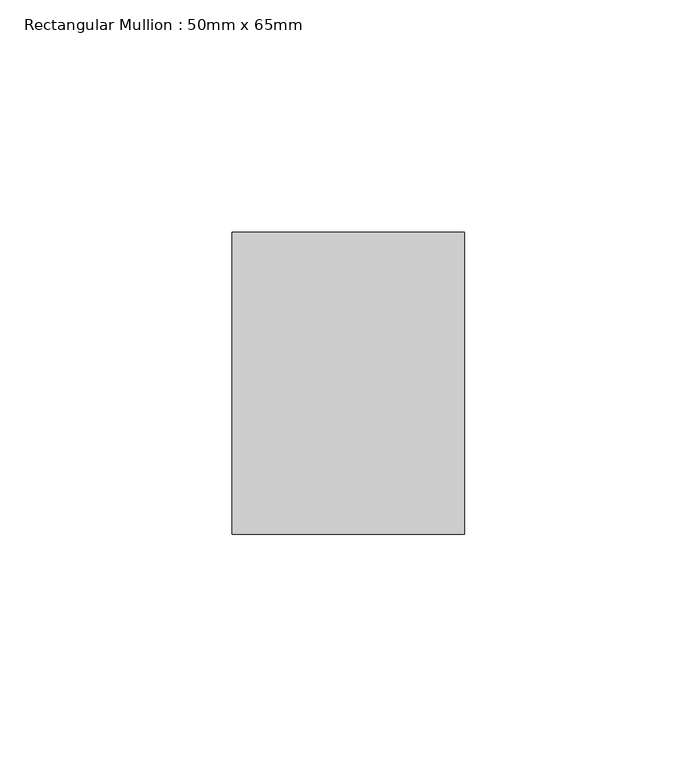
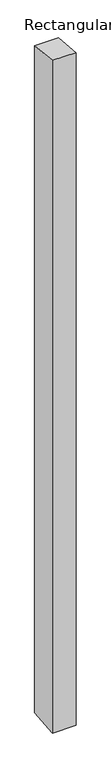
"""IFC4 building model written with IfcOpenShell, lengths in millimetres: member geometry, Rectangular Mullion : 50mm x 65mm."""

import ifcopenshell
import ifcopenshell.guid

model = None  # the IFC model being written
_history = None  # IfcOwnerHistory: only IFC2X3 demands one
_inside = {}  # id of a spatial element -> (the spatial element, [elements in it])
_under = {}  # id of a project, library or spatial element -> (it, [spatial elements below it])
_declared = {}  # id of a project -> (the project, [libraries it declares])
_typed = {}  # id of a type object -> (the type object, [elements of that type])
_made_of = {}  # id of a material, layer set ... -> (it, [elements and type objects made of it])


def new_model(schema):
    """Start an empty IFC model of exactly this schema.

    Asked for "IFC4X3", IfcOpenShell would pick the latest addendum, in which some entities
    have other attributes; the version numbers below select the first issue.
    IFC2X3 requires an IfcOwnerHistory on every rooted entity: one is made here for all.
    """
    global model, _history
    if schema == "IFC4X3":
        model = ifcopenshell.file(schema_version=(4, 3, 0, 0))
    else:
        model = ifcopenshell.file(schema=schema)
    _inside.clear()
    _under.clear()
    _declared.clear()
    _typed.clear()
    _made_of.clear()
    _history = None
    if model.schema == "IFC2X3":
        org = make("IfcOrganization", Name="unknown")
        user = make(
            "IfcPersonAndOrganization",
            ThePerson=make("IfcPerson", FamilyName="unknown"),
            TheOrganization=org,
        )
        app = make(
            "IfcApplication",
            ApplicationDeveloper=org,
            Version="unknown",
            ApplicationFullName="unknown",
            ApplicationIdentifier="unknown",
        )
        _history = make(
            "IfcOwnerHistory",
            OwningUser=user,
            OwningApplication=app,
            ChangeAction="ADDED",
            CreationDate=0,
        )
    return model


def make(cls, **values):
    """One entity of the class cls with the attributes given. An attribute that is None is left unset."""
    return model.create_entity(
        cls, **{name: value for name, value in values.items() if value is not None}
    )


def rooted(cls, **values):
    """An entity with a GlobalId (a new one), such as an element, a storey or a relation."""
    return make(cls, GlobalId=ifcopenshell.guid.new(), OwnerHistory=_history, **values)


def si_unit(unit_type, name, prefix=None):
    """IfcSIUnit, for example si_unit("LENGTHUNIT", "METRE", prefix="MILLI")."""
    return make("IfcSIUnit", UnitType=unit_type, Prefix=prefix, Name=name)


def assignment(units):
    """IfcUnitAssignment: the units of a project."""
    return None if units is None else make("IfcUnitAssignment", Units=units)


def point(xyz):
    """IfcCartesianPoint."""
    return None if xyz is None else make("IfcCartesianPoint", Coordinates=xyz)


def direction(xyz):
    """IfcDirection."""
    return None if xyz is None else make("IfcDirection", DirectionRatios=xyz)


def frame(location, z_axis=None, x_axis=None):
    """IfcAxis2Placement3D, a coordinate frame: its origin and axes. An axis left out is left unset."""
    return make(
        "IfcAxis2Placement3D",
        Location=point(location),
        Axis=direction(z_axis),
        RefDirection=direction(x_axis),
    )


def origin():
    """The frame at (0, 0, 0) with its axes left unset."""
    return frame((0.0, 0.0, 0.0))


def place(relative_to, where):
    """IfcLocalPlacement: puts the frame where relative to a parent placement (None: the world)."""
    return make(
        "IfcLocalPlacement", PlacementRelTo=relative_to, RelativePlacement=where
    )


def context(
    kind, dimensions, precision=None, world=None, true_north=None, identifier=None
):
    """IfcGeometricRepresentationContext, for example the 3D "Model" context."""
    return make(
        "IfcGeometricRepresentationContext",
        ContextIdentifier=identifier,
        ContextType=kind,
        CoordinateSpaceDimension=dimensions,
        Precision=precision,
        WorldCoordinateSystem=world,
        TrueNorth=true_north,
    )


def project(units=None, contexts=None):
    """IfcProject with its units and contexts."""
    return rooted(
        "IfcProject",
        Name="project",
        RepresentationContexts=contexts,
        UnitsInContext=assignment(units),
    )


def spatial(cls, under=None, at=None, **own):
    """A site, building, storey or space (cls), placed at a placement, below another one or the project."""
    s = rooted(cls, ObjectPlacement=at, **own)
    if under is not None:
        _under.setdefault(under.id(), (under, []))[1].append(s)
    return s


def faces_of(points, faces, orient=None, outer=None):
    """IfcFace entities. A face is a list of loops; a loop is a list of indices into points, from 0.

    orient and outer hold one flag for each loop. By default every Orientation is true, the
    first loop of a face is its IfcFaceOuterBound and the others are IfcFaceBound.
    """
    made = []
    for i, loops in enumerate(faces):
        bounds = []
        for j, loop in enumerate(loops):
            is_outer = j == 0 if outer is None else outer[i][j]
            bounds.append(
                make(
                    "IfcFaceOuterBound" if is_outer else "IfcFaceBound",
                    Bound=make("IfcPolyLoop", Polygon=[points[k] for k in loop]),
                    Orientation=True if orient is None else orient[i][j],
                )
            )
        made.append(make("IfcFace", Bounds=bounds))
    return made


def faceted_brep(points, faces, orient=None, outer=None, voids=None):
    """IfcFacetedBrep: a solid bounded by flat faces; with voids (closed shells), ...WithVoids."""
    shared = [point(p) for p in points]
    hull = make("IfcClosedShell", CfsFaces=faces_of(shared, faces, orient, outer))
    if voids is None:
        return make("IfcFacetedBrep", Outer=hull)
    return make(
        "IfcFacetedBrepWithVoids",
        Outer=hull,
        Voids=[
            make(cls, CfsFaces=faces_of(shared, fs, o, b)) for cls, fs, o, b in voids
        ],
    )


def shape(context_of_items, identifier, shape_type, items):
    """IfcShapeRepresentation: the items that make up one representation, for example the "Body"."""
    return make(
        "IfcShapeRepresentation",
        ContextOfItems=context_of_items,
        RepresentationIdentifier=identifier,
        RepresentationType=shape_type,
        Items=items,
    )


def source(mapping_origin, context_of_items, identifier, shape_type, items):
    """IfcRepresentationMap: a shape defined once, which mapped items show again and again."""
    return make(
        "IfcRepresentationMap",
        MappingOrigin=mapping_origin,
        MappedRepresentation=shape(context_of_items, identifier, shape_type, items),
    )


def transform(
    local_origin,
    x_axis=None,
    y_axis=None,
    z_axis=None,
    scale=None,
    scale2=None,
    scale3=None,
    uniform=True,
):
    """IfcCartesianTransformationOperator3D, or its non-uniform kind. x_axis, y_axis, z_axis: its Axis1, 2, 3."""
    if uniform:
        return make(
            "IfcCartesianTransformationOperator3D",
            Axis1=direction(x_axis),
            Axis2=direction(y_axis),
            LocalOrigin=point(local_origin),
            Scale=scale,
            Axis3=direction(z_axis),
        )
    return make(
        "IfcCartesianTransformationOperator3DnonUniform",
        Axis1=direction(x_axis),
        Axis2=direction(y_axis),
        LocalOrigin=point(local_origin),
        Scale=scale,
        Axis3=direction(z_axis),
        Scale2=scale2,
        Scale3=scale3,
    )


def mapped(mapping_source, mapping_target):
    """IfcMappedItem: shows the shape of a source again, moved by a transform."""
    return make(
        "IfcMappedItem", MappingSource=mapping_source, MappingTarget=mapping_target
    )


def made_of(thing, what):
    """Note that an element or type object is made of a material, layer set ...; save() writes the relation."""
    if what is not None:
        _made_of.setdefault(what.id(), (what, []))[1].append(thing)
    return thing


def element(
    cls,
    number,
    at=None,
    inside=None,
    cuts=None,
    type_object=None,
    material=None,
    context=None,
    identifier="Body",
    shape_type=None,
    held_by="IfcProductDefinitionShape",
    body=None,
    shapes=None,
    **own,
):
    """One element of the class cls, such as IfcWall. Its Tag is "e" and its number.

    at: its placement. inside: the storey or other place that contains it. cuts: it is an
    opening in that element (IfcRelVoidsElement). A single representation is given by context,
    identifier, shape_type and body (its items); several are given by shapes. held_by: the class
    of the entity that holds the representations. save() writes the other relations.
    """
    e = rooted(cls, Tag="e%d" % number, ObjectPlacement=at, **own)
    if body is not None:
        shapes = [shape(context, identifier, shape_type, body)]
    if shapes is not None:
        e.Representation = make(held_by, Representations=shapes)
    if inside is not None:
        _inside.setdefault(inside.id(), (inside, []))[1].append(e)
    if cuts is not None:
        rooted(
            "IfcRelVoidsElement", RelatingBuildingElement=cuts, RelatedOpeningElement=e
        )
    if type_object is not None:
        _typed.setdefault(type_object.id(), (type_object, []))[1].append(e)
    return made_of(e, material)


def aggregate(whole, parts):
    """IfcRelAggregates: a whole, such as a stair, and the parts it consists of."""
    return rooted("IfcRelAggregates", RelatingObject=whole, RelatedObjects=parts)


def save(model, path):
    """Write the relations noted so far, then the file.

    IfcRelAggregates (storeys below a building ...), IfcRelContainedInSpatialStructure (elements
    in a storey), IfcRelDefinesByType, IfcRelAssociatesMaterial and IfcRelDeclares: one each for
    every whole, place, type object, material and project.
    """
    for whole, parts in _under.values():
        aggregate(whole, parts)
    for where, things in _inside.values():
        rooted(
            "IfcRelContainedInSpatialStructure",
            RelatedElements=things,
            RelatingStructure=where,
        )
    for kind, things in _typed.values():
        rooted("IfcRelDefinesByType", RelatedObjects=things, RelatingType=kind)
    for what, things in _made_of.values():
        rooted("IfcRelAssociatesMaterial", RelatedObjects=things, RelatingMaterial=what)
    for by, libraries in _declared.values():
        rooted("IfcRelDeclares", RelatingContext=by, RelatedDefinitions=libraries)
    model.write(path)


def rectangular_mullion_50mm_x_65mm_ed038dba(model_context):
    return source(origin(), model_context, "Body", "Brep", [
        faceted_brep([(-25.0, 32.5, -3.3716813), (25.0, 32.5, -3.371679), (25.0, 32.5, -1496.8525662), (-25.0, 32.5, -1496.8525641), (-25.0, -32.5, 3.371679), (-25.0, -32.5, -1503.1464333), (25.0, -32.5, 3.3716813), (25.0, -32.5, -1503.1464354)], [[[0, 1, 2, 3]], [[4, 0, 3, 5]], [[6, 4, 5, 7]], [[1, 6, 7, 2]], [[1, 0, 4, 6]], [[2, 7, 5, 3]]]),
    ])


if __name__ == "__main__":
    model = new_model("IFC4")
    model_context = context("Model", 3, world=origin())
    ifc_project = project(units=[si_unit("LENGTHUNIT", "METRE", prefix="MILLI")], contexts=[model_context])
    site = spatial("IfcSite", under=ifc_project)
    building = spatial("IfcBuilding", under=site)
    placement = place(None, origin())
    rectangular_mullion_50mm_x_65mm_shape = rectangular_mullion_50mm_x_65mm_ed038dba(model_context)
    element("IfcMember", 1, ObjectType="Rectangular Mullion : 50mm x 65mm", at=placement, inside=building, context=model_context, shape_type="MappedRepresentation", body=[
        mapped(rectangular_mullion_50mm_x_65mm_shape, transform((0.0, 0.0, 0.0), x_axis=(1.0, 0.0, 0.0), y_axis=(0.0, 1.0, 0.0), z_axis=(0.0, 0.0, 1.0))),
    ])
    save(model, "model.ifc")
